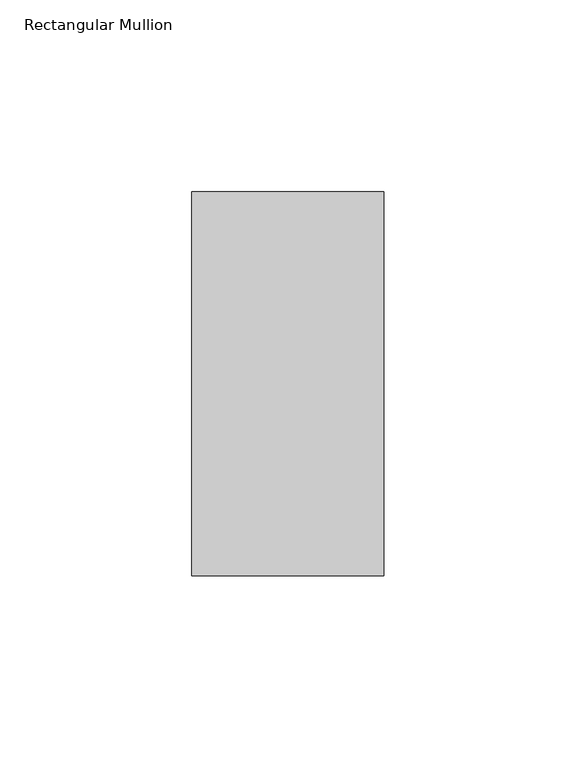
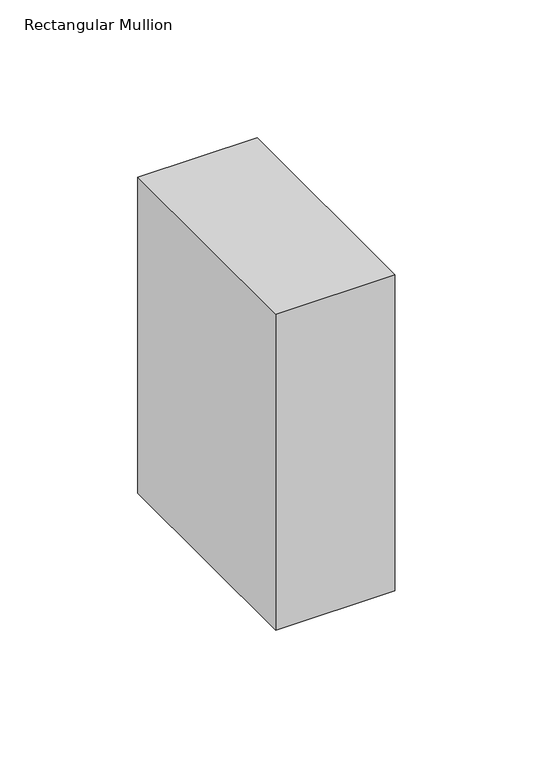
"""IFC4 building model written with IfcOpenShell, lengths in millimetres: member geometry, Rectangular Mullion."""

import ifcopenshell
import ifcopenshell.guid

model = None  # the IFC model being written
_history = None  # IfcOwnerHistory: only IFC2X3 demands one
_inside = {}  # id of a spatial element -> (the spatial element, [elements in it])
_under = {}  # id of a project, library or spatial element -> (it, [spatial elements below it])
_declared = {}  # id of a project -> (the project, [libraries it declares])
_typed = {}  # id of a type object -> (the type object, [elements of that type])
_made_of = {}  # id of a material, layer set ... -> (it, [elements and type objects made of it])


def new_model(schema):
    """Start an empty IFC model of exactly this schema.

    Asked for "IFC4X3", IfcOpenShell would pick the latest addendum, in which some entities
    have other attributes; the version numbers below select the first issue.
    IFC2X3 requires an IfcOwnerHistory on every rooted entity: one is made here for all.
    """
    global model, _history
    if schema == "IFC4X3":
        model = ifcopenshell.file(schema_version=(4, 3, 0, 0))
    else:
        model = ifcopenshell.file(schema=schema)
    _inside.clear()
    _under.clear()
    _declared.clear()
    _typed.clear()
    _made_of.clear()
    _history = None
    if model.schema == "IFC2X3":
        org = make("IfcOrganization", Name="unknown")
        user = make(
            "IfcPersonAndOrganization",
            ThePerson=make("IfcPerson", FamilyName="unknown"),
            TheOrganization=org,
        )
        app = make(
            "IfcApplication",
            ApplicationDeveloper=org,
            Version="unknown",
            ApplicationFullName="unknown",
            ApplicationIdentifier="unknown",
        )
        _history = make(
            "IfcOwnerHistory",
            OwningUser=user,
            OwningApplication=app,
            ChangeAction="ADDED",
            CreationDate=0,
        )
    return model


def make(cls, **values):
    """One entity of the class cls with the attributes given. An attribute that is None is left unset."""
    return model.create_entity(
        cls, **{name: value for name, value in values.items() if value is not None}
    )


def rooted(cls, **values):
    """An entity with a GlobalId (a new one), such as an element, a storey or a relation."""
    return make(cls, GlobalId=ifcopenshell.guid.new(), OwnerHistory=_history, **values)


def si_unit(unit_type, name, prefix=None):
    """IfcSIUnit, for example si_unit("LENGTHUNIT", "METRE", prefix="MILLI")."""
    return make("IfcSIUnit", UnitType=unit_type, Prefix=prefix, Name=name)


def assignment(units):
    """IfcUnitAssignment: the units of a project."""
    return None if units is None else make("IfcUnitAssignment", Units=units)


def point(xyz):
    """IfcCartesianPoint."""
    return None if xyz is None else make("IfcCartesianPoint", Coordinates=xyz)


def direction(xyz):
    """IfcDirection."""
    return None if xyz is None else make("IfcDirection", DirectionRatios=xyz)


def frame(location, z_axis=None, x_axis=None):
    """IfcAxis2Placement3D, a coordinate frame: its origin and axes. An axis left out is left unset."""
    return make(
        "IfcAxis2Placement3D",
        Location=point(location),
        Axis=direction(z_axis),
        RefDirection=direction(x_axis),
    )


def origin():
    """The frame at (0, 0, 0) with its axes left unset."""
    return frame((0.0, 0.0, 0.0))


def place(relative_to, where):
    """IfcLocalPlacement: puts the frame where relative to a parent placement (None: the world)."""
    return make(
        "IfcLocalPlacement", PlacementRelTo=relative_to, RelativePlacement=where
    )


def context(
    kind, dimensions, precision=None, world=None, true_north=None, identifier=None
):
    """IfcGeometricRepresentationContext, for example the 3D "Model" context."""
    return make(
        "IfcGeometricRepresentationContext",
        ContextIdentifier=identifier,
        ContextType=kind,
        CoordinateSpaceDimension=dimensions,
        Precision=precision,
        WorldCoordinateSystem=world,
        TrueNorth=true_north,
    )


def project(units=None, contexts=None):
    """IfcProject with its units and contexts."""
    return rooted(
        "IfcProject",
        Name="project",
        RepresentationContexts=contexts,
        UnitsInContext=assignment(units),
    )


def spatial(cls, under=None, at=None, **own):
    """A site, building, storey or space (cls), placed at a placement, below another one or the project."""
    s = rooted(cls, ObjectPlacement=at, **own)
    if under is not None:
        _under.setdefault(under.id(), (under, []))[1].append(s)
    return s


def polyline(points):
    """IfcPolyline through the points."""
    return make("IfcPolyline", Points=[point(p) for p in points])


def outline(outer, holes=None, kind="AREA"):
    """IfcArbitraryClosedProfileDef: a profile drawn as a closed curve; with holes, ...WithVoids."""
    if holes is None:
        return make("IfcArbitraryClosedProfileDef", ProfileType=kind, OuterCurve=outer)
    return make(
        "IfcArbitraryProfileDefWithVoids",
        ProfileType=kind,
        OuterCurve=outer,
        InnerCurves=holes,
    )


def extrude(swept, where, along, depth):
    """IfcExtrudedAreaSolid: the profile swept, set in the frame where, extruded along a direction by depth."""
    return make(
        "IfcExtrudedAreaSolid",
        SweptArea=swept,
        Position=where,
        ExtrudedDirection=direction(along),
        Depth=depth,
    )


def shape(context_of_items, identifier, shape_type, items):
    """IfcShapeRepresentation: the items that make up one representation, for example the "Body"."""
    return make(
        "IfcShapeRepresentation",
        ContextOfItems=context_of_items,
        RepresentationIdentifier=identifier,
        RepresentationType=shape_type,
        Items=items,
    )


def source(mapping_origin, context_of_items, identifier, shape_type, items):
    """IfcRepresentationMap: a shape defined once, which mapped items show again and again."""
    return make(
        "IfcRepresentationMap",
        MappingOrigin=mapping_origin,
        MappedRepresentation=shape(context_of_items, identifier, shape_type, items),
    )


def transform(
    local_origin,
    x_axis=None,
    y_axis=None,
    z_axis=None,
    scale=None,
    scale2=None,
    scale3=None,
    uniform=True,
):
    """IfcCartesianTransformationOperator3D, or its non-uniform kind. x_axis, y_axis, z_axis: its Axis1, 2, 3."""
    if uniform:
        return make(
            "IfcCartesianTransformationOperator3D",
            Axis1=direction(x_axis),
            Axis2=direction(y_axis),
            LocalOrigin=point(local_origin),
            Scale=scale,
            Axis3=direction(z_axis),
        )
    return make(
        "IfcCartesianTransformationOperator3DnonUniform",
        Axis1=direction(x_axis),
        Axis2=direction(y_axis),
        LocalOrigin=point(local_origin),
        Scale=scale,
        Axis3=direction(z_axis),
        Scale2=scale2,
        Scale3=scale3,
    )


def mapped(mapping_source, mapping_target):
    """IfcMappedItem: shows the shape of a source again, moved by a transform."""
    return make(
        "IfcMappedItem", MappingSource=mapping_source, MappingTarget=mapping_target
    )


def made_of(thing, what):
    """Note that an element or type object is made of a material, layer set ...; save() writes the relation."""
    if what is not None:
        _made_of.setdefault(what.id(), (what, []))[1].append(thing)
    return thing


def element(
    cls,
    number,
    at=None,
    inside=None,
    cuts=None,
    type_object=None,
    material=None,
    context=None,
    identifier="Body",
    shape_type=None,
    held_by="IfcProductDefinitionShape",
    body=None,
    shapes=None,
    **own,
):
    """One element of the class cls, such as IfcWall. Its Tag is "e" and its number.

    at: its placement. inside: the storey or other place that contains it. cuts: it is an
    opening in that element (IfcRelVoidsElement). A single representation is given by context,
    identifier, shape_type and body (its items); several are given by shapes. held_by: the class
    of the entity that holds the representations. save() writes the other relations.
    """
    e = rooted(cls, Tag="e%d" % number, ObjectPlacement=at, **own)
    if body is not None:
        shapes = [shape(context, identifier, shape_type, body)]
    if shapes is not None:
        e.Representation = make(held_by, Representations=shapes)
    if inside is not None:
        _inside.setdefault(inside.id(), (inside, []))[1].append(e)
    if cuts is not None:
        rooted(
            "IfcRelVoidsElement", RelatingBuildingElement=cuts, RelatedOpeningElement=e
        )
    if type_object is not None:
        _typed.setdefault(type_object.id(), (type_object, []))[1].append(e)
    return made_of(e, material)


def aggregate(whole, parts):
    """IfcRelAggregates: a whole, such as a stair, and the parts it consists of."""
    return rooted("IfcRelAggregates", RelatingObject=whole, RelatedObjects=parts)


def save(model, path):
    """Write the relations noted so far, then the file.

    IfcRelAggregates (storeys below a building ...), IfcRelContainedInSpatialStructure (elements
    in a storey), IfcRelDefinesByType, IfcRelAssociatesMaterial and IfcRelDeclares: one each for
    every whole, place, type object, material and project.
    """
    for whole, parts in _under.values():
        aggregate(whole, parts)
    for where, things in _inside.values():
        rooted(
            "IfcRelContainedInSpatialStructure",
            RelatedElements=things,
            RelatingStructure=where,
        )
    for kind, things in _typed.values():
        rooted("IfcRelDefinesByType", RelatedObjects=things, RelatingType=kind)
    for what, things in _made_of.values():
        rooted("IfcRelAssociatesMaterial", RelatedObjects=things, RelatingMaterial=what)
    for by, libraries in _declared.values():
        rooted("IfcRelDeclares", RelatingContext=by, RelatedDefinitions=libraries)
    model.write(path)


def rectangular_mullion_a59235f3(model_context):
    return source(origin(), model_context, "Body", "SweptSolid", [
        extrude(outline(polyline([(25.0, 31.0), (25.0, -69.0), (-25.0, -69.0), (-25.0, 31.0), (25.0, 31.0)])), frame((0.0, 0.0, -140.0), z_axis=(0.0, 0.0, 1.0), x_axis=(1.0, 0.0, 0.0)), (0.0, 0.0, 1.0), 140.0),
    ])


if __name__ == "__main__":
    model = new_model("IFC4")
    model_context = context("Model", 3, world=origin())
    ifc_project = project(units=[si_unit("LENGTHUNIT", "METRE", prefix="MILLI")], contexts=[model_context])
    site = spatial("IfcSite", under=ifc_project)
    building = spatial("IfcBuilding", under=site)
    placement = place(None, origin())
    rectangular_mullion_shape = rectangular_mullion_a59235f3(model_context)
    element("IfcMember", 1, ObjectType="Rectangular Mullion", at=placement, inside=building, context=model_context, shape_type="MappedRepresentation", body=[
        mapped(rectangular_mullion_shape, transform((0.0, 0.0, 0.0), x_axis=(1.0, 0.0, 0.0), y_axis=(0.0, 1.0, 0.0), z_axis=(0.0, 0.0, 1.0))),
    ])
    save(model, "model.ifc")
